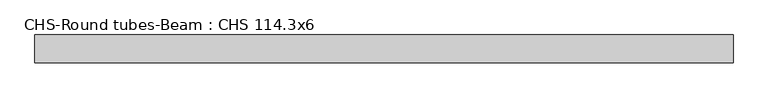
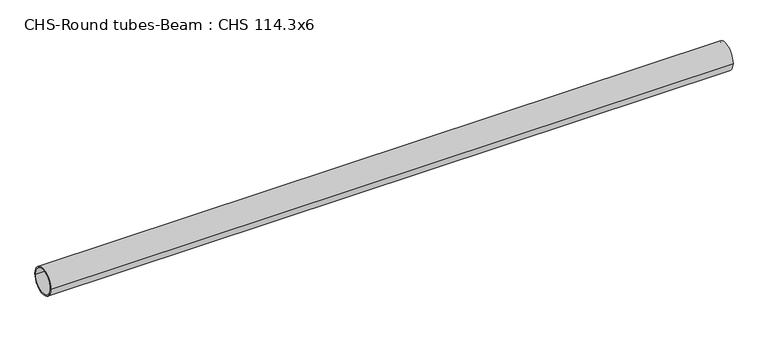
"""IFC4 building model written with IfcOpenShell, lengths in millimetres: beam geometry, CHS-Round tubes-Beam : CHS 114.3x6."""

import ifcopenshell
import ifcopenshell.guid

model = None  # the IFC model being written
_history = None  # IfcOwnerHistory: only IFC2X3 demands one
_inside = {}  # id of a spatial element -> (the spatial element, [elements in it])
_under = {}  # id of a project, library or spatial element -> (it, [spatial elements below it])
_declared = {}  # id of a project -> (the project, [libraries it declares])
_typed = {}  # id of a type object -> (the type object, [elements of that type])
_made_of = {}  # id of a material, layer set ... -> (it, [elements and type objects made of it])


def new_model(schema):
    """Start an empty IFC model of exactly this schema.

    Asked for "IFC4X3", IfcOpenShell would pick the latest addendum, in which some entities
    have other attributes; the version numbers below select the first issue.
    IFC2X3 requires an IfcOwnerHistory on every rooted entity: one is made here for all.
    """
    global model, _history
    if schema == "IFC4X3":
        model = ifcopenshell.file(schema_version=(4, 3, 0, 0))
    else:
        model = ifcopenshell.file(schema=schema)
    _inside.clear()
    _under.clear()
    _declared.clear()
    _typed.clear()
    _made_of.clear()
    _history = None
    if model.schema == "IFC2X3":
        org = make("IfcOrganization", Name="unknown")
        user = make(
            "IfcPersonAndOrganization",
            ThePerson=make("IfcPerson", FamilyName="unknown"),
            TheOrganization=org,
        )
        app = make(
            "IfcApplication",
            ApplicationDeveloper=org,
            Version="unknown",
            ApplicationFullName="unknown",
            ApplicationIdentifier="unknown",
        )
        _history = make(
            "IfcOwnerHistory",
            OwningUser=user,
            OwningApplication=app,
            ChangeAction="ADDED",
            CreationDate=0,
        )
    return model


def make(cls, **values):
    """One entity of the class cls with the attributes given. An attribute that is None is left unset."""
    return model.create_entity(
        cls, **{name: value for name, value in values.items() if value is not None}
    )


def rooted(cls, **values):
    """An entity with a GlobalId (a new one), such as an element, a storey or a relation."""
    return make(cls, GlobalId=ifcopenshell.guid.new(), OwnerHistory=_history, **values)


def si_unit(unit_type, name, prefix=None):
    """IfcSIUnit, for example si_unit("LENGTHUNIT", "METRE", prefix="MILLI")."""
    return make("IfcSIUnit", UnitType=unit_type, Prefix=prefix, Name=name)


def assignment(units):
    """IfcUnitAssignment: the units of a project."""
    return None if units is None else make("IfcUnitAssignment", Units=units)


def point(xyz):
    """IfcCartesianPoint."""
    return None if xyz is None else make("IfcCartesianPoint", Coordinates=xyz)


def direction(xyz):
    """IfcDirection."""
    return None if xyz is None else make("IfcDirection", DirectionRatios=xyz)


def frame(location, z_axis=None, x_axis=None):
    """IfcAxis2Placement3D, a coordinate frame: its origin and axes. An axis left out is left unset."""
    return make(
        "IfcAxis2Placement3D",
        Location=point(location),
        Axis=direction(z_axis),
        RefDirection=direction(x_axis),
    )


def frame_2d(location, x_axis=None):
    """IfcAxis2Placement2D, a coordinate frame in the plane: its origin and x axis."""
    return make(
        "IfcAxis2Placement2D", Location=point(location), RefDirection=direction(x_axis)
    )


def origin():
    """The frame at (0, 0, 0) with its axes left unset."""
    return frame((0.0, 0.0, 0.0))


def origin_2d():
    """The frame at (0, 0) in the plane with its x axis left unset."""
    return frame_2d((0.0, 0.0))


def place(relative_to, where):
    """IfcLocalPlacement: puts the frame where relative to a parent placement (None: the world)."""
    return make(
        "IfcLocalPlacement", PlacementRelTo=relative_to, RelativePlacement=where
    )


def context(
    kind, dimensions, precision=None, world=None, true_north=None, identifier=None
):
    """IfcGeometricRepresentationContext, for example the 3D "Model" context."""
    return make(
        "IfcGeometricRepresentationContext",
        ContextIdentifier=identifier,
        ContextType=kind,
        CoordinateSpaceDimension=dimensions,
        Precision=precision,
        WorldCoordinateSystem=world,
        TrueNorth=true_north,
    )


def project(units=None, contexts=None):
    """IfcProject with its units and contexts."""
    return rooted(
        "IfcProject",
        Name="project",
        RepresentationContexts=contexts,
        UnitsInContext=assignment(units),
    )


def spatial(cls, under=None, at=None, **own):
    """A site, building, storey or space (cls), placed at a placement, below another one or the project."""
    s = rooted(cls, ObjectPlacement=at, **own)
    if under is not None:
        _under.setdefault(under.id(), (under, []))[1].append(s)
    return s


def circle_curve(where, radius):
    """IfcCircle in the frame where."""
    return make("IfcCircle", Position=where, Radius=radius)


def trimmed(basis, trim1, trim2, sense, master):
    """IfcTrimmedCurve: the piece of a basis curve between two trims."""
    return make(
        "IfcTrimmedCurve",
        BasisCurve=basis,
        Trim1=trim1,
        Trim2=trim2,
        SenseAgreement=sense,
        MasterRepresentation=master,
    )


def segment(curve, same_sense, transition):
    """IfcCompositeCurveSegment."""
    return make(
        "IfcCompositeCurveSegment",
        Transition=transition,
        SameSense=same_sense,
        ParentCurve=curve,
    )


def composite_curve(segments, self_intersect=None):
    """IfcCompositeCurve: segments joined end to end."""
    return make("IfcCompositeCurve", Segments=segments, SelfIntersect=self_intersect)


def outline(outer, holes=None, kind="AREA"):
    """IfcArbitraryClosedProfileDef: a profile drawn as a closed curve; with holes, ...WithVoids."""
    if holes is None:
        return make("IfcArbitraryClosedProfileDef", ProfileType=kind, OuterCurve=outer)
    return make(
        "IfcArbitraryProfileDefWithVoids",
        ProfileType=kind,
        OuterCurve=outer,
        InnerCurves=holes,
    )


def extrude(swept, where, along, depth):
    """IfcExtrudedAreaSolid: the profile swept, set in the frame where, extruded along a direction by depth."""
    return make(
        "IfcExtrudedAreaSolid",
        SweptArea=swept,
        Position=where,
        ExtrudedDirection=direction(along),
        Depth=depth,
    )


def shape(context_of_items, identifier, shape_type, items):
    """IfcShapeRepresentation: the items that make up one representation, for example the "Body"."""
    return make(
        "IfcShapeRepresentation",
        ContextOfItems=context_of_items,
        RepresentationIdentifier=identifier,
        RepresentationType=shape_type,
        Items=items,
    )


def source(mapping_origin, context_of_items, identifier, shape_type, items):
    """IfcRepresentationMap: a shape defined once, which mapped items show again and again."""
    return make(
        "IfcRepresentationMap",
        MappingOrigin=mapping_origin,
        MappedRepresentation=shape(context_of_items, identifier, shape_type, items),
    )


def transform(
    local_origin,
    x_axis=None,
    y_axis=None,
    z_axis=None,
    scale=None,
    scale2=None,
    scale3=None,
    uniform=True,
):
    """IfcCartesianTransformationOperator3D, or its non-uniform kind. x_axis, y_axis, z_axis: its Axis1, 2, 3."""
    if uniform:
        return make(
            "IfcCartesianTransformationOperator3D",
            Axis1=direction(x_axis),
            Axis2=direction(y_axis),
            LocalOrigin=point(local_origin),
            Scale=scale,
            Axis3=direction(z_axis),
        )
    return make(
        "IfcCartesianTransformationOperator3DnonUniform",
        Axis1=direction(x_axis),
        Axis2=direction(y_axis),
        LocalOrigin=point(local_origin),
        Scale=scale,
        Axis3=direction(z_axis),
        Scale2=scale2,
        Scale3=scale3,
    )


def mapped(mapping_source, mapping_target):
    """IfcMappedItem: shows the shape of a source again, moved by a transform."""
    return make(
        "IfcMappedItem", MappingSource=mapping_source, MappingTarget=mapping_target
    )


def made_of(thing, what):
    """Note that an element or type object is made of a material, layer set ...; save() writes the relation."""
    if what is not None:
        _made_of.setdefault(what.id(), (what, []))[1].append(thing)
    return thing


def element(
    cls,
    number,
    at=None,
    inside=None,
    cuts=None,
    type_object=None,
    material=None,
    context=None,
    identifier="Body",
    shape_type=None,
    held_by="IfcProductDefinitionShape",
    body=None,
    shapes=None,
    **own,
):
    """One element of the class cls, such as IfcWall. Its Tag is "e" and its number.

    at: its placement. inside: the storey or other place that contains it. cuts: it is an
    opening in that element (IfcRelVoidsElement). A single representation is given by context,
    identifier, shape_type and body (its items); several are given by shapes. held_by: the class
    of the entity that holds the representations. save() writes the other relations.
    """
    e = rooted(cls, Tag="e%d" % number, ObjectPlacement=at, **own)
    if body is not None:
        shapes = [shape(context, identifier, shape_type, body)]
    if shapes is not None:
        e.Representation = make(held_by, Representations=shapes)
    if inside is not None:
        _inside.setdefault(inside.id(), (inside, []))[1].append(e)
    if cuts is not None:
        rooted(
            "IfcRelVoidsElement", RelatingBuildingElement=cuts, RelatedOpeningElement=e
        )
    if type_object is not None:
        _typed.setdefault(type_object.id(), (type_object, []))[1].append(e)
    return made_of(e, material)


def aggregate(whole, parts):
    """IfcRelAggregates: a whole, such as a stair, and the parts it consists of."""
    return rooted("IfcRelAggregates", RelatingObject=whole, RelatedObjects=parts)


def save(model, path):
    """Write the relations noted so far, then the file.

    IfcRelAggregates (storeys below a building ...), IfcRelContainedInSpatialStructure (elements
    in a storey), IfcRelDefinesByType, IfcRelAssociatesMaterial and IfcRelDeclares: one each for
    every whole, place, type object, material and project.
    """
    for whole, parts in _under.values():
        aggregate(whole, parts)
    for where, things in _inside.values():
        rooted(
            "IfcRelContainedInSpatialStructure",
            RelatedElements=things,
            RelatingStructure=where,
        )
    for kind, things in _typed.values():
        rooted("IfcRelDefinesByType", RelatedObjects=things, RelatingType=kind)
    for what, things in _made_of.values():
        rooted("IfcRelAssociatesMaterial", RelatedObjects=things, RelatingMaterial=what)
    for by, libraries in _declared.values():
        rooted("IfcRelDeclares", RelatingContext=by, RelatedDefinitions=libraries)
    model.write(path)


def chs_round_tubes_beam_chs_114_3x6_51ebbc5c(model_context):
    return source(origin(), model_context, "Body", "SweptSolid", [
        extrude(outline(composite_curve([segment(trimmed(circle_curve(origin_2d(), 57.15), [point((57.15, 0.0))], [point((-57.15, 0.0))], False, "CARTESIAN"), True, "CONTINUOUS"), segment(trimmed(circle_curve(origin_2d(), 57.15), [point((-57.15, 0.0))], [point((57.15, 0.0))], False, "CARTESIAN"), True, "CONTINUOUS")], self_intersect=False), holes=[composite_curve([segment(trimmed(circle_curve(origin_2d(), 51.15), [point((51.15, 0.0))], [point((-51.15, 0.0))], True, "CARTESIAN"), True, "CONTINUOUS"), segment(trimmed(circle_curve(origin_2d(), 51.15), [point((-51.15, 0.0))], [point((51.15, 0.0))], True, "CARTESIAN"), True, "CONTINUOUS")], self_intersect=False)]), frame((-1417.2993241, 0.0, 0.0), z_axis=(1.0, 0.0, 0.0), x_axis=(0.0, 1.0, 0.0)), (0.0, 0.0, 1.0), 2848.4420261),
    ])


if __name__ == "__main__":
    model = new_model("IFC4")
    model_context = context("Model", 3, world=origin())
    ifc_project = project(units=[si_unit("LENGTHUNIT", "METRE", prefix="MILLI")], contexts=[model_context])
    site = spatial("IfcSite", under=ifc_project)
    building = spatial("IfcBuilding", under=site)
    placement = place(None, origin())
    chs_round_tubes_beam_chs_114_3x6_shape = chs_round_tubes_beam_chs_114_3x6_51ebbc5c(model_context)
    element("IfcBeam", 1, ObjectType="CHS-Round tubes-Beam : CHS 114.3x6", at=placement, inside=building, context=model_context, shape_type="MappedRepresentation", body=[
        mapped(chs_round_tubes_beam_chs_114_3x6_shape, transform((0.0, 0.0, 0.0), x_axis=(1.0, 0.0, 0.0), y_axis=(0.0, 1.0, 0.0), z_axis=(0.0, 0.0, 1.0))),
    ])
    save(model, "model.ifc")
